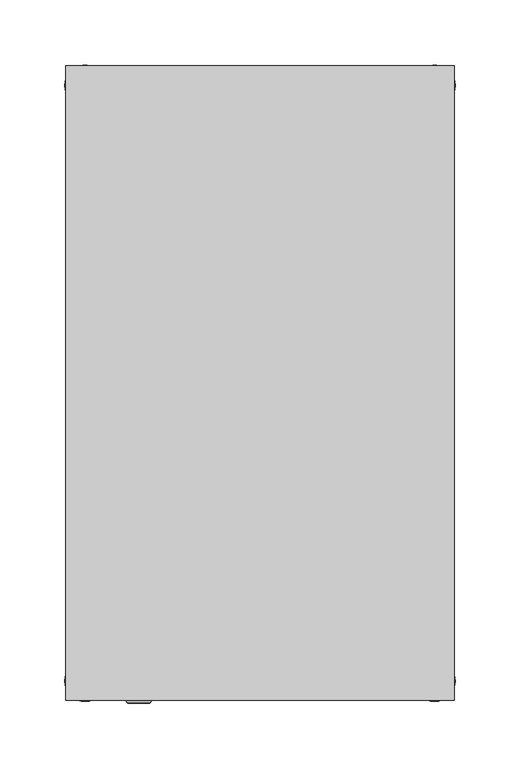
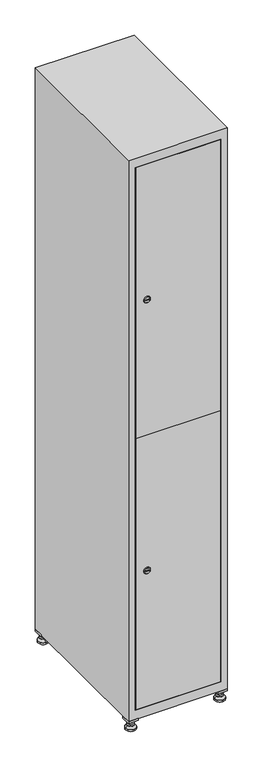
"""IFC4 building model written with IfcOpenShell, lengths in millimetres: furniture geometry."""

import ifcopenshell
import ifcopenshell.guid

model = None  # the IFC model being written
_history = None  # IfcOwnerHistory: only IFC2X3 demands one
_inside = {}  # id of a spatial element -> (the spatial element, [elements in it])
_under = {}  # id of a project, library or spatial element -> (it, [spatial elements below it])
_declared = {}  # id of a project -> (the project, [libraries it declares])
_typed = {}  # id of a type object -> (the type object, [elements of that type])
_made_of = {}  # id of a material, layer set ... -> (it, [elements and type objects made of it])


def new_model(schema):
    """Start an empty IFC model of exactly this schema.

    Asked for "IFC4X3", IfcOpenShell would pick the latest addendum, in which some entities
    have other attributes; the version numbers below select the first issue.
    IFC2X3 requires an IfcOwnerHistory on every rooted entity: one is made here for all.
    """
    global model, _history
    if schema == "IFC4X3":
        model = ifcopenshell.file(schema_version=(4, 3, 0, 0))
    else:
        model = ifcopenshell.file(schema=schema)
    _inside.clear()
    _under.clear()
    _declared.clear()
    _typed.clear()
    _made_of.clear()
    _history = None
    if model.schema == "IFC2X3":
        org = make("IfcOrganization", Name="unknown")
        user = make(
            "IfcPersonAndOrganization",
            ThePerson=make("IfcPerson", FamilyName="unknown"),
            TheOrganization=org,
        )
        app = make(
            "IfcApplication",
            ApplicationDeveloper=org,
            Version="unknown",
            ApplicationFullName="unknown",
            ApplicationIdentifier="unknown",
        )
        _history = make(
            "IfcOwnerHistory",
            OwningUser=user,
            OwningApplication=app,
            ChangeAction="ADDED",
            CreationDate=0,
        )
    return model


def make(cls, **values):
    """One entity of the class cls with the attributes given. An attribute that is None is left unset."""
    return model.create_entity(
        cls, **{name: value for name, value in values.items() if value is not None}
    )


def rooted(cls, **values):
    """An entity with a GlobalId (a new one), such as an element, a storey or a relation."""
    return make(cls, GlobalId=ifcopenshell.guid.new(), OwnerHistory=_history, **values)


def si_unit(unit_type, name, prefix=None):
    """IfcSIUnit, for example si_unit("LENGTHUNIT", "METRE", prefix="MILLI")."""
    return make("IfcSIUnit", UnitType=unit_type, Prefix=prefix, Name=name)


def assignment(units):
    """IfcUnitAssignment: the units of a project."""
    return None if units is None else make("IfcUnitAssignment", Units=units)


def point(xyz):
    """IfcCartesianPoint."""
    return None if xyz is None else make("IfcCartesianPoint", Coordinates=xyz)


def direction(xyz):
    """IfcDirection."""
    return None if xyz is None else make("IfcDirection", DirectionRatios=xyz)


def frame(location, z_axis=None, x_axis=None):
    """IfcAxis2Placement3D, a coordinate frame: its origin and axes. An axis left out is left unset."""
    return make(
        "IfcAxis2Placement3D",
        Location=point(location),
        Axis=direction(z_axis),
        RefDirection=direction(x_axis),
    )


def frame_2d(location, x_axis=None):
    """IfcAxis2Placement2D, a coordinate frame in the plane: its origin and x axis."""
    return make(
        "IfcAxis2Placement2D", Location=point(location), RefDirection=direction(x_axis)
    )


def origin():
    """The frame at (0, 0, 0) with its axes left unset."""
    return frame((0.0, 0.0, 0.0))


def origin_with_axes():
    """The frame at (0, 0, 0) with the z axis (0, 0, 1) and the x axis (1, 0, 0) written out."""
    return frame((0.0, 0.0, 0.0), z_axis=(0.0, 0.0, 1.0), x_axis=(1.0, 0.0, 0.0))


def place(relative_to, where):
    """IfcLocalPlacement: puts the frame where relative to a parent placement (None: the world)."""
    return make(
        "IfcLocalPlacement", PlacementRelTo=relative_to, RelativePlacement=where
    )


def context(
    kind, dimensions, precision=None, world=None, true_north=None, identifier=None
):
    """IfcGeometricRepresentationContext, for example the 3D "Model" context."""
    return make(
        "IfcGeometricRepresentationContext",
        ContextIdentifier=identifier,
        ContextType=kind,
        CoordinateSpaceDimension=dimensions,
        Precision=precision,
        WorldCoordinateSystem=world,
        TrueNorth=true_north,
    )


def project(units=None, contexts=None):
    """IfcProject with its units and contexts."""
    return rooted(
        "IfcProject",
        Name="project",
        RepresentationContexts=contexts,
        UnitsInContext=assignment(units),
    )


def spatial(cls, under=None, at=None, **own):
    """A site, building, storey or space (cls), placed at a placement, below another one or the project."""
    s = rooted(cls, ObjectPlacement=at, **own)
    if under is not None:
        _under.setdefault(under.id(), (under, []))[1].append(s)
    return s


def polyline(points):
    """IfcPolyline through the points."""
    return make("IfcPolyline", Points=[point(p) for p in points])


def circle_curve(where, radius):
    """IfcCircle in the frame where."""
    return make("IfcCircle", Position=where, Radius=radius)


def trimmed(basis, trim1, trim2, sense, master):
    """IfcTrimmedCurve: the piece of a basis curve between two trims."""
    return make(
        "IfcTrimmedCurve",
        BasisCurve=basis,
        Trim1=trim1,
        Trim2=trim2,
        SenseAgreement=sense,
        MasterRepresentation=master,
    )


def segment(curve, same_sense, transition):
    """IfcCompositeCurveSegment."""
    return make(
        "IfcCompositeCurveSegment",
        Transition=transition,
        SameSense=same_sense,
        ParentCurve=curve,
    )


def composite_curve(segments, self_intersect=None):
    """IfcCompositeCurve: segments joined end to end."""
    return make("IfcCompositeCurve", Segments=segments, SelfIntersect=self_intersect)


def outline(outer, holes=None, kind="AREA"):
    """IfcArbitraryClosedProfileDef: a profile drawn as a closed curve; with holes, ...WithVoids."""
    if holes is None:
        return make("IfcArbitraryClosedProfileDef", ProfileType=kind, OuterCurve=outer)
    return make(
        "IfcArbitraryProfileDefWithVoids",
        ProfileType=kind,
        OuterCurve=outer,
        InnerCurves=holes,
    )


def extrude(swept, where, along, depth):
    """IfcExtrudedAreaSolid: the profile swept, set in the frame where, extruded along a direction by depth."""
    return make(
        "IfcExtrudedAreaSolid",
        SweptArea=swept,
        Position=where,
        ExtrudedDirection=direction(along),
        Depth=depth,
    )


def faces_of(points, faces, orient=None, outer=None):
    """IfcFace entities. A face is a list of loops; a loop is a list of indices into points, from 0.

    orient and outer hold one flag for each loop. By default every Orientation is true, the
    first loop of a face is its IfcFaceOuterBound and the others are IfcFaceBound.
    """
    made = []
    for i, loops in enumerate(faces):
        bounds = []
        for j, loop in enumerate(loops):
            is_outer = j == 0 if outer is None else outer[i][j]
            bounds.append(
                make(
                    "IfcFaceOuterBound" if is_outer else "IfcFaceBound",
                    Bound=make("IfcPolyLoop", Polygon=[points[k] for k in loop]),
                    Orientation=True if orient is None else orient[i][j],
                )
            )
        made.append(make("IfcFace", Bounds=bounds))
    return made


def faceted_brep(points, faces, orient=None, outer=None, voids=None):
    """IfcFacetedBrep: a solid bounded by flat faces; with voids (closed shells), ...WithVoids."""
    shared = [point(p) for p in points]
    hull = make("IfcClosedShell", CfsFaces=faces_of(shared, faces, orient, outer))
    if voids is None:
        return make("IfcFacetedBrep", Outer=hull)
    return make(
        "IfcFacetedBrepWithVoids",
        Outer=hull,
        Voids=[
            make(cls, CfsFaces=faces_of(shared, fs, o, b)) for cls, fs, o, b in voids
        ],
    )


def shape(context_of_items, identifier, shape_type, items):
    """IfcShapeRepresentation: the items that make up one representation, for example the "Body"."""
    return make(
        "IfcShapeRepresentation",
        ContextOfItems=context_of_items,
        RepresentationIdentifier=identifier,
        RepresentationType=shape_type,
        Items=items,
    )


def source(mapping_origin, context_of_items, identifier, shape_type, items):
    """IfcRepresentationMap: a shape defined once, which mapped items show again and again."""
    return make(
        "IfcRepresentationMap",
        MappingOrigin=mapping_origin,
        MappedRepresentation=shape(context_of_items, identifier, shape_type, items),
    )


def transform(
    local_origin,
    x_axis=None,
    y_axis=None,
    z_axis=None,
    scale=None,
    scale2=None,
    scale3=None,
    uniform=True,
):
    """IfcCartesianTransformationOperator3D, or its non-uniform kind. x_axis, y_axis, z_axis: its Axis1, 2, 3."""
    if uniform:
        return make(
            "IfcCartesianTransformationOperator3D",
            Axis1=direction(x_axis),
            Axis2=direction(y_axis),
            LocalOrigin=point(local_origin),
            Scale=scale,
            Axis3=direction(z_axis),
        )
    return make(
        "IfcCartesianTransformationOperator3DnonUniform",
        Axis1=direction(x_axis),
        Axis2=direction(y_axis),
        LocalOrigin=point(local_origin),
        Scale=scale,
        Axis3=direction(z_axis),
        Scale2=scale2,
        Scale3=scale3,
    )


def mapped(mapping_source, mapping_target):
    """IfcMappedItem: shows the shape of a source again, moved by a transform."""
    return make(
        "IfcMappedItem", MappingSource=mapping_source, MappingTarget=mapping_target
    )


def made_of(thing, what):
    """Note that an element or type object is made of a material, layer set ...; save() writes the relation."""
    if what is not None:
        _made_of.setdefault(what.id(), (what, []))[1].append(thing)
    return thing


def element(
    cls,
    number,
    at=None,
    inside=None,
    cuts=None,
    type_object=None,
    material=None,
    context=None,
    identifier="Body",
    shape_type=None,
    held_by="IfcProductDefinitionShape",
    body=None,
    shapes=None,
    **own,
):
    """One element of the class cls, such as IfcWall. Its Tag is "e" and its number.

    at: its placement. inside: the storey or other place that contains it. cuts: it is an
    opening in that element (IfcRelVoidsElement). A single representation is given by context,
    identifier, shape_type and body (its items); several are given by shapes. held_by: the class
    of the entity that holds the representations. save() writes the other relations.
    """
    e = rooted(cls, Tag="e%d" % number, ObjectPlacement=at, **own)
    if body is not None:
        shapes = [shape(context, identifier, shape_type, body)]
    if shapes is not None:
        e.Representation = make(held_by, Representations=shapes)
    if inside is not None:
        _inside.setdefault(inside.id(), (inside, []))[1].append(e)
    if cuts is not None:
        rooted(
            "IfcRelVoidsElement", RelatingBuildingElement=cuts, RelatedOpeningElement=e
        )
    if type_object is not None:
        _typed.setdefault(type_object.id(), (type_object, []))[1].append(e)
    return made_of(e, material)


def aggregate(whole, parts):
    """IfcRelAggregates: a whole, such as a stair, and the parts it consists of."""
    return rooted("IfcRelAggregates", RelatingObject=whole, RelatedObjects=parts)


def save(model, path):
    """Write the relations noted so far, then the file.

    IfcRelAggregates (storeys below a building ...), IfcRelContainedInSpatialStructure (elements
    in a storey), IfcRelDefinesByType, IfcRelAssociatesMaterial and IfcRelDeclares: one each for
    every whole, place, type object, material and project.
    """
    for whole, parts in _under.values():
        aggregate(whole, parts)
    for where, things in _inside.values():
        rooted(
            "IfcRelContainedInSpatialStructure",
            RelatedElements=things,
            RelatingStructure=where,
        )
    for kind, things in _typed.values():
        rooted("IfcRelDefinesByType", RelatedObjects=things, RelatingType=kind)
    for what, things in _made_of.values():
        rooted("IfcRelAssociatesMaterial", RelatedObjects=things, RelatingMaterial=what)
    for by, libraries in _declared.values():
        rooted("IfcRelDeclares", RelatingContext=by, RelatedDefinitions=libraries)
    model.write(path)


def plane_surface(at):
    """IfcPlane: the flat surface through the origin of the frame at, square to its z axis."""
    return make("IfcPlane", Position=at)


def revolved_surface(curve, axis_point, axis_direction):
    """IfcSurfaceOfRevolution: the curve turned about the line through axis_point along axis_direction."""
    return make(
        "IfcSurfaceOfRevolution",
        SweptCurve=make("IfcArbitraryOpenProfileDef", ProfileType="CURVE", Curve=curve),
        AxisPosition=make("IfcAxis1Placement", Location=point(axis_point), Axis=direction(axis_direction)),
    )


def advanced_brep(points, edges, surfaces, faces):
    """IfcAdvancedBrep: a solid bounded by faces that lie on surfaces and meet in shared edges.

    An edge is (start, end): straight between two places in points (the first is 0);
    or (start, end, curve); or (start, end, curve, False) where it runs against its curve.
    A face is (place in surfaces, loops), or (place, loops, False) where it looks against
    its surface's normal. A loop lists edges by number (the first is 1), with a minus sign
    where the edge is run from its end to its start. The first loop is the outer one.
    """
    corners = [point(p) for p in points]
    vertices = [make("IfcVertexPoint", VertexGeometry=c) for c in corners]
    made = []
    for start, end, *more in edges:
        made.append(
            make(
                "IfcEdgeCurve",
                EdgeStart=vertices[start],
                EdgeEnd=vertices[end],
                EdgeGeometry=more[0] if more else make("IfcPolyline", Points=[corners[start], corners[end]]),
                SameSense=more[1] if len(more) > 1 else True,
            )
        )
    hull = []
    for where, loops, *sense in faces:
        bounds = []
        for j, loop in enumerate(loops):
            ring = [make("IfcOrientedEdge", EdgeElement=made[abs(k) - 1], Orientation=k > 0) for k in loop]
            bounds.append(
                make(
                    "IfcFaceOuterBound" if j == 0 else "IfcFaceBound",
                    Bound=make("IfcEdgeLoop", EdgeList=ring),
                    Orientation=True,
                )
            )
        hull.append(make("IfcAdvancedFace", Bounds=bounds, FaceSurface=surfaces[where], SameSense=sense[0] if sense else True))
    return make("IfcAdvancedBrep", Outer=make("IfcClosedShell", CfsFaces=hull))


def furniture_1f80c4c9(model_context):
    return source(origin(), model_context, "Body", "SolidModel", [
        extrude(outline(polyline([(100.0, 245.0), (100.0, 215.0), (70.0, 215.0), (70.0, 245.0), (100.0, 245.0)]), holes=[polyline([(98.0, 243.0), (72.0, 243.0), (72.0, 217.0), (98.0, 217.0), (98.0, 243.0)])]), frame((0.0, 0.0, 28.5), z_axis=(0.0, 0.0, 1.0), x_axis=(1.0, 0.0, 0.0)), (0.0, 0.0, 1.0), 6.5),
        extrude(outline(polyline([(70.0, -245.0), (70.0, -215.0), (100.0, -215.0), (100.0, -245.0), (70.0, -245.0)]), holes=[polyline([(72.0, -243.0), (98.0, -243.0), (98.0, -217.0), (72.0, -217.0), (72.0, -243.0)])]), frame((0.0, 0.0, 28.5), z_axis=(0.0, 0.0, 1.0), x_axis=(1.0, 0.0, 0.0)), (0.0, 0.0, 1.0), 6.5),
        extrude(outline(polyline([(-170.0, 245.0), (-170.0, 215.0), (-200.0, 215.0), (-200.0, 245.0), (-170.0, 245.0)]), holes=[polyline([(-172.0, 243.0), (-198.0, 243.0), (-198.0, 217.0), (-172.0, 217.0), (-172.0, 243.0)])]), frame((0.0, 0.0, 28.5), z_axis=(0.0, 0.0, 1.0), x_axis=(1.0, 0.0, 0.0)), (0.0, 0.0, 1.0), 6.5),
        extrude(outline(polyline([(-170.0, -215.0), (-170.0, -245.0), (-200.0, -245.0), (-200.0, -215.0), (-170.0, -215.0)]), holes=[polyline([(-198.0, -243.0), (-172.0, -243.0), (-172.0, -217.0), (-198.0, -217.0), (-198.0, -243.0)])]), frame((0.0, 0.0, 28.5), z_axis=(0.0, 0.0, 1.0), x_axis=(1.0, 0.0, 0.0)), (0.0, 0.0, 1.0), 6.5),
        extrude(outline(composite_curve([segment(trimmed(circle_curve(frame_2d((-185.0, 230.0)), 5.0), [point((-180.0, 230.0))], [point((-190.0, 230.0))], False, "CARTESIAN"), True, "CONTINUOUS"), segment(trimmed(circle_curve(frame_2d((-185.0, 230.0)), 5.0), [point((-190.0, 230.0))], [point((-180.0, 230.0))], False, "CARTESIAN"), True, "CONTINUOUS")], self_intersect=False)), frame((0.0, 0.0, 19.6), z_axis=(0.0, 0.0, 1.0), x_axis=(1.0, 0.0, 0.0)), (0.0, 0.0, 1.0), 15.4),
        extrude(outline(composite_curve([segment(trimmed(circle_curve(frame_2d((-185.0, -230.0)), 5.0), [point((-180.0, -230.0))], [point((-190.0, -230.0))], False, "CARTESIAN"), True, "CONTINUOUS"), segment(trimmed(circle_curve(frame_2d((-185.0, -230.0)), 5.0), [point((-190.0, -230.0))], [point((-180.0, -230.0))], False, "CARTESIAN"), True, "CONTINUOUS")], self_intersect=False)), frame((0.0, 0.0, 19.6), z_axis=(0.0, 0.0, 1.0), x_axis=(1.0, 0.0, 0.0)), (0.0, 0.0, 1.0), 15.4),
        extrude(outline(composite_curve([segment(trimmed(circle_curve(frame_2d((85.0, 230.0)), 5.0), [point((90.0, 230.0))], [point((80.0, 230.0))], False, "CARTESIAN"), True, "CONTINUOUS"), segment(trimmed(circle_curve(frame_2d((85.0, 230.0)), 5.0), [point((80.0, 230.0))], [point((90.0, 230.0))], False, "CARTESIAN"), True, "CONTINUOUS")], self_intersect=False)), frame((0.0, 0.0, 19.6), z_axis=(0.0, 0.0, 1.0), x_axis=(1.0, 0.0, 0.0)), (0.0, 0.0, 1.0), 15.4),
        extrude(outline(polyline([(73.4529946, 230.0), (79.2264973, 240.0), (90.7735027, 240.0), (96.5470054, 230.0), (90.7735027, 220.0), (79.2264973, 220.0), (73.4529946, 230.0)])), frame((0.0, 0.0, 13.6), z_axis=(0.0, 0.0, 1.0), x_axis=(1.0, 0.0, 0.0)), (0.0, 0.0, 1.0), 6.0),
        extrude(outline(composite_curve([segment(trimmed(circle_curve(frame_2d((85.0, -230.0)), 5.0), [point((90.0, -230.0))], [point((80.0, -230.0))], False, "CARTESIAN"), True, "CONTINUOUS"), segment(trimmed(circle_curve(frame_2d((85.0, -230.0)), 5.0), [point((80.0, -230.0))], [point((90.0, -230.0))], False, "CARTESIAN"), True, "CONTINUOUS")], self_intersect=False)), frame((0.0, 0.0, 19.6), z_axis=(0.0, 0.0, 1.0), x_axis=(1.0, 0.0, 0.0)), (0.0, 0.0, 1.0), 15.4),
        extrude(outline(polyline([(73.4529946, -230.0), (79.2264973, -220.0), (90.7735027, -220.0), (96.5470054, -230.0), (90.7735027, -240.0), (79.2264973, -240.0), (73.4529946, -230.0)])), frame((0.0, 0.0, 13.6), z_axis=(0.0, 0.0, 1.0), x_axis=(1.0, 0.0, 0.0)), (0.0, 0.0, 1.0), 6.0),
        extrude(outline(composite_curve([segment(trimmed(circle_curve(frame_2d((85.0, 230.0)), 5.0), [point((90.0, 230.0))], [point((80.0, 230.0))], False, "CARTESIAN"), True, "CONTINUOUS"), segment(trimmed(circle_curve(frame_2d((85.0, 230.0)), 5.0), [point((80.0, 230.0))], [point((90.0, 230.0))], False, "CARTESIAN"), True, "CONTINUOUS")], self_intersect=False)), frame((0.0, 0.0, 12.1), z_axis=(0.0, 0.0, 1.0), x_axis=(1.0, 0.0, 0.0)), (0.0, 0.0, 1.0), 1.5),
        extrude(outline(composite_curve([segment(trimmed(circle_curve(frame_2d((85.0, -230.0)), 5.0), [point((90.0, -230.0))], [point((80.0, -230.0))], False, "CARTESIAN"), True, "CONTINUOUS"), segment(trimmed(circle_curve(frame_2d((85.0, -230.0)), 5.0), [point((80.0, -230.0))], [point((90.0, -230.0))], False, "CARTESIAN"), True, "CONTINUOUS")], self_intersect=False)), frame((0.0, 0.0, 12.1), z_axis=(0.0, 0.0, 1.0), x_axis=(1.0, 0.0, 0.0)), (0.0, 0.0, 1.0), 1.5),
        extrude(outline(polyline([(-196.5470054, 230.0), (-190.7735027, 240.0), (-179.2264973, 240.0), (-173.4529946, 230.0), (-179.2264973, 220.0), (-190.7735027, 220.0), (-196.5470054, 230.0)])), frame((0.0, 0.0, 13.6), z_axis=(0.0, 0.0, 1.0), x_axis=(1.0, 0.0, 0.0)), (0.0, 0.0, 1.0), 6.0),
        extrude(outline(polyline([(-196.5470054, -230.0), (-190.7735027, -220.0), (-179.2264973, -220.0), (-173.4529946, -230.0), (-179.2264973, -240.0), (-190.7735027, -240.0), (-196.5470054, -230.0)])), frame((0.0, 0.0, 13.6), z_axis=(0.0, 0.0, 1.0), x_axis=(1.0, 0.0, 0.0)), (0.0, 0.0, 1.0), 6.0),
        extrude(outline(composite_curve([segment(trimmed(circle_curve(frame_2d((-185.0, 230.0)), 5.0), [point((-185.0, 235.0))], [point((-185.0, 225.0))], False, "CARTESIAN"), True, "CONTINUOUS"), segment(trimmed(circle_curve(frame_2d((-185.0, 230.0)), 5.0), [point((-185.0, 225.0))], [point((-185.0, 235.0))], False, "CARTESIAN"), True, "CONTINUOUS")], self_intersect=False)), frame((0.0, 0.0, 12.1), z_axis=(0.0, 0.0, 1.0), x_axis=(1.0, 0.0, 0.0)), (0.0, 0.0, 1.0), 1.5),
        extrude(outline(composite_curve([segment(trimmed(circle_curve(frame_2d((-185.0, -230.0)), 5.0), [point((-180.0, -230.0))], [point((-190.0, -230.0))], False, "CARTESIAN"), True, "CONTINUOUS"), segment(trimmed(circle_curve(frame_2d((-185.0, -230.0)), 5.0), [point((-190.0, -230.0))], [point((-180.0, -230.0))], False, "CARTESIAN"), True, "CONTINUOUS")], self_intersect=False)), frame((0.0, 0.0, 12.1), z_axis=(0.0, 0.0, 1.0), x_axis=(1.0, 0.0, 0.0)), (0.0, 0.0, 1.0), 1.5),
        extrude(outline(composite_curve([segment(trimmed(circle_curve(frame_2d((85.0, 230.0)), 15.75), [point((100.75, 230.0))], [point((69.25, 230.0))], False, "CARTESIAN"), True, "CONTINUOUS"), segment(trimmed(circle_curve(frame_2d((85.0, 230.0)), 15.75), [point((69.25, 230.0))], [point((100.75, 230.0))], False, "CARTESIAN"), True, "CONTINUOUS")], self_intersect=False)), origin_with_axes(), (0.0, 0.0, 1.0), 5.1),
        extrude(outline(composite_curve([segment(trimmed(circle_curve(frame_2d((85.0, -230.0)), 15.75), [point((85.0, -214.25))], [point((85.0, -245.75))], False, "CARTESIAN"), True, "CONTINUOUS"), segment(trimmed(circle_curve(frame_2d((85.0, -230.0)), 15.75), [point((85.0, -245.75))], [point((85.0, -214.25))], False, "CARTESIAN"), True, "CONTINUOUS")], self_intersect=False)), origin_with_axes(), (0.0, 0.0, 1.0), 5.1),
        extrude(outline(composite_curve([segment(trimmed(circle_curve(frame_2d((-185.0, -230.0)), 15.75), [point((-169.25, -230.0))], [point((-200.75, -230.0))], False, "CARTESIAN"), True, "CONTINUOUS"), segment(trimmed(circle_curve(frame_2d((-185.0, -230.0)), 15.75), [point((-200.75, -230.0))], [point((-169.25, -230.0))], False, "CARTESIAN"), True, "CONTINUOUS")], self_intersect=False)), origin_with_axes(), (0.0, 0.0, 1.0), 5.1),
        extrude(outline(composite_curve([segment(trimmed(circle_curve(frame_2d((-185.0, 230.0)), 15.75), [point((-169.25, 230.0))], [point((-200.75, 230.0))], False, "CARTESIAN"), True, "CONTINUOUS"), segment(trimmed(circle_curve(frame_2d((-185.0, 230.0)), 15.75), [point((-200.75, 230.0))], [point((-169.25, 230.0))], False, "CARTESIAN"), True, "CONTINUOUS")], self_intersect=False)), origin_with_axes(), (0.0, 0.0, 1.0), 5.1),
        advanced_brep(
        [(-185.0, 245.75, 5.1), (-185.0, 214.25, 5.1), (-185.0, 239.5, 12.1), (-185.0, 220.5, 12.1)],
        [
            (0, 1, circle_curve(frame((-185.0, 230.0, 5.1), z_axis=(0.0, 0.0, -1.0), x_axis=(0.0, 1.0, 0.0)), 15.75)),
            (1, 0, circle_curve(frame((-185.0, 230.0, 5.1), z_axis=(0.0, 0.0, -1.0), x_axis=(0.0, -1.0, 0.0)), 15.75)),
            (2, 3, circle_curve(frame((-185.0, 230.0, 12.1), z_axis=(0.0, 0.0, 1.0), x_axis=(0.0, -1.0, 0.0)), 9.5)),
            (3, 2, circle_curve(frame((-185.0, 230.0, 12.1), z_axis=(0.0, 0.0, 1.0), x_axis=(0.0, 1.0, 0.0)), 9.5)),
            (3, 1),
            (0, 2),
        ],
        [
            plane_surface(frame((-185.0, 230.0, 5.1), z_axis=(0.0, 0.0, -1.0), x_axis=(1.0, 0.0, 0.0))),
            plane_surface(frame((-185.0, 230.0, 12.1), z_axis=(0.0, 0.0, 1.0), x_axis=(1.0, 0.0, 0.0))),
            revolved_surface(polyline([(-185.0, 220.5, 12.099999999999998), (-185.0, 214.25, 5.099999999999998)]), (-185.0, 230.0, 22.74), (0.0, 0.0, -1.0)),
            revolved_surface(polyline([(-185.0, 239.5, 12.099999999999998), (-185.0, 245.75, 5.099999999999998)]), (-185.0, 230.0, 22.74), (0.0, 0.0, -1.0)),
        ],
        [
            (0, [[1, 2]]),
            (1, [[3, 4]]),
            (2, [[-4, 5, -1, 6]]),
            (3, [[-3, -6, -2, -5]]),
        ],
    ),
        advanced_brep(
        [(85.0, 245.75, 5.1), (85.0, 214.25, 5.1), (85.0, 239.5, 12.1), (85.0, 220.5, 12.1)],
        [
            (0, 1, circle_curve(frame((85.0, 230.0, 5.1), z_axis=(0.0, 0.0, -1.0), x_axis=(0.0, 1.0, 0.0)), 15.75)),
            (1, 0, circle_curve(frame((85.0, 230.0, 5.1), z_axis=(0.0, 0.0, -1.0), x_axis=(0.0, -1.0, 0.0)), 15.75)),
            (2, 3, circle_curve(frame((85.0, 230.0, 12.1), z_axis=(0.0, 0.0, 1.0), x_axis=(0.0, -1.0, 0.0)), 9.5)),
            (3, 2, circle_curve(frame((85.0, 230.0, 12.1), z_axis=(0.0, 0.0, 1.0), x_axis=(0.0, 1.0, 0.0)), 9.5)),
            (3, 1),
            (0, 2),
        ],
        [
            plane_surface(frame((85.0, 230.0, 5.1), z_axis=(0.0, 0.0, -1.0), x_axis=(1.0, 0.0, 0.0))),
            plane_surface(frame((85.0, 230.0, 12.1), z_axis=(0.0, 0.0, 1.0), x_axis=(1.0, 0.0, 0.0))),
            revolved_surface(polyline([(85.0, 220.5, 12.099999999999998), (85.0, 214.25, 5.099999999999998)]), (85.0, 230.0, 22.74), (0.0, 0.0, -1.0)),
            revolved_surface(polyline([(85.0, 239.5, 12.099999999999998), (85.0, 245.75, 5.099999999999998)]), (85.0, 230.0, 22.74), (0.0, 0.0, -1.0)),
        ],
        [
            (0, [[1, 2]]),
            (1, [[3, 4]]),
            (2, [[-4, 5, -1, 6]]),
            (3, [[-3, -6, -2, -5]]),
        ],
    ),
        advanced_brep(
        [(94.5, -230.0, 12.1), (75.5, -230.0, 12.1), (100.75, -230.0, 5.1), (69.25, -230.0, 5.1)],
        [
            (0, 1, circle_curve(frame((85.0, -230.0, 12.1), z_axis=(0.0, 0.0, 1.0), x_axis=(1.0, 0.0, 0.0)), 9.5)),
            (1, 0, circle_curve(frame((85.0, -230.0, 12.1), z_axis=(0.0, 0.0, 1.0), x_axis=(-1.0, 0.0, 0.0)), 9.5)),
            (2, 3, circle_curve(frame((85.0, -230.0, 5.1), z_axis=(0.0, 0.0, -1.0), x_axis=(-1.0, 0.0, 0.0)), 15.75)),
            (3, 2, circle_curve(frame((85.0, -230.0, 5.1), z_axis=(0.0, 0.0, -1.0), x_axis=(1.0, 0.0, 0.0)), 15.75)),
            (3, 1),
            (0, 2),
        ],
        [
            plane_surface(frame((85.0, -230.0, 12.1), z_axis=(0.0, 0.0, 1.0), x_axis=(0.0, 1.0, 0.0))),
            plane_surface(frame((85.0, -230.0, 5.1), z_axis=(0.0, 0.0, -1.0), x_axis=(0.0, 1.0, 0.0))),
            revolved_surface(polyline([(94.5, -230.0, 12.099999999999998), (100.75, -230.0, 5.099999999999998)]), (85.0, -230.0, 22.74), (0.0, 0.0, -1.0)),
            revolved_surface(polyline([(75.5, -230.0, 12.099999999999998), (69.25, -230.0, 5.099999999999998)]), (85.0, -230.0, 22.74), (0.0, 0.0, -1.0)),
        ],
        [
            (0, [[1, 2]]),
            (1, [[3, 4]]),
            (2, [[-4, 5, -1, 6]]),
            (3, [[-3, -6, -2, -5]]),
        ],
    ),
        advanced_brep(
        [(-175.5, -230.0, 12.1), (-194.5, -230.0, 12.1), (-169.25, -230.0, 5.1), (-200.75, -230.0, 5.1)],
        [
            (0, 1, circle_curve(frame((-185.0, -230.0, 12.1), z_axis=(0.0, 0.0, 1.0), x_axis=(1.0, 0.0, 0.0)), 9.5)),
            (1, 0, circle_curve(frame((-185.0, -230.0, 12.1), z_axis=(0.0, 0.0, 1.0), x_axis=(-1.0, 0.0, 0.0)), 9.5)),
            (2, 3, circle_curve(frame((-185.0, -230.0, 5.1), z_axis=(0.0, 0.0, -1.0), x_axis=(-1.0, 0.0, 0.0)), 15.75)),
            (3, 2, circle_curve(frame((-185.0, -230.0, 5.1), z_axis=(0.0, 0.0, -1.0), x_axis=(1.0, 0.0, 0.0)), 15.75)),
            (3, 1),
            (0, 2),
        ],
        [
            plane_surface(frame((-185.0, -230.0, 12.1), z_axis=(0.0, 0.0, 1.0), x_axis=(0.0, 1.0, 0.0))),
            plane_surface(frame((-185.0, -230.0, 5.1), z_axis=(0.0, 0.0, -1.0), x_axis=(0.0, 1.0, 0.0))),
            revolved_surface(polyline([(-175.5, -230.0, 12.099999999999998), (-169.25, -230.0, 5.099999999999998)]), (-185.0, -230.0, 22.74), (0.0, 0.0, -1.0)),
            revolved_surface(polyline([(-194.5, -230.0, 12.099999999999998), (-200.75, -230.0, 5.099999999999998)]), (-185.0, -230.0, 22.74), (0.0, 0.0, -1.0)),
        ],
        [
            (0, [[1, 2]]),
            (1, [[3, 4]]),
            (2, [[-4, 5, -1, 6]]),
            (3, [[-3, -6, -2, -5]]),
        ],
    ),
        extrude(outline(composite_curve([segment(trimmed(circle_curve(frame_2d((500.6, -170.3989466)), 7.0), [point((507.6, -170.3989466))], [point((493.6, -170.3989466))], False, "CARTESIAN"), True, "CONTINUOUS"), segment(polyline([(493.6, -170.3989466), (493.6, -142.3989466)]), True, "CONTINUOUS"), segment(trimmed(circle_curve(frame_2d((500.6, -142.3989466)), 7.0), [point((493.6, -142.3989466))], [point((507.6, -142.3989466))], False, "CARTESIAN"), True, "CONTINUOUS"), segment(polyline([(507.6, -142.3989466), (507.6, -170.3989466)]), True, "CONTINUOUS")], self_intersect=False)), frame((0.0, -227.0, 0.0), z_axis=(0.0, 1.0, 0.0), x_axis=(0.0, 0.0, 1.0)), (0.0, 0.0, 1.0), 2.0),
        advanced_brep(
        [(-135.1, -247.2, 500.6), (-152.1, -247.2, 500.6), (-148.6, -247.2, 499.35), (-148.6, -247.2, 501.85), (-138.6, -247.2, 501.85), (-138.6, -247.2, 499.35), (-133.1, -245.0, 500.6), (-154.1, -245.0, 500.6), (-148.6, -245.0, 501.85), (-148.6, -245.0, 499.35), (-138.6, -245.0, 499.35), (-138.6, -245.0, 501.85)],
        [
            (0, 1, circle_curve(frame((-143.6, -247.2, 500.6), z_axis=(0.0, -1.0, 0.0), x_axis=(1.0, 0.0, 0.0)), 8.5)),
            (1, 0, circle_curve(frame((-143.6, -247.2, 500.6), z_axis=(0.0, -1.0, 0.0), x_axis=(-1.0, 0.0, 0.0)), 8.5)),
            (2, 3),
            (3, 4),
            (4, 5),
            (5, 2),
            (6, 7, circle_curve(frame((-143.6, -245.0, 500.6), z_axis=(0.0, 1.0, 0.0), x_axis=(-1.0, 0.0, 0.0)), 10.5)),
            (7, 6, circle_curve(frame((-143.6, -245.0, 500.6), z_axis=(0.0, 1.0, 0.0), x_axis=(1.0, 0.0, 0.0)), 10.5)),
            (8, 9),
            (9, 10),
            (10, 11),
            (11, 8),
            (0, 6),
            (7, 1),
            (8, 3),
            (2, 9),
            (11, 4),
            (10, 5),
        ],
        [
            plane_surface(frame((-143.6, -247.2, 500.6), z_axis=(0.0, -1.0, 0.0), x_axis=(0.0, 0.0, 1.0))),
            plane_surface(frame((-143.6, -245.0, 500.6), z_axis=(0.0, 1.0, 0.0), x_axis=(0.0, 0.0, 1.0))),
            revolved_surface(polyline([(-135.1, -247.2, 500.6), (-133.1, -245.0, 500.6)]), (-143.6, -256.55, 500.6), (0.0, 1.0, 0.0)),
            revolved_surface(polyline([(-152.1, -247.2, 500.6), (-154.1, -245.0, 500.6)]), (-143.6, -256.55, 500.6), (0.0, 1.0, 0.0)),
            plane_surface(frame((-148.6, -245.0, 499.35), z_axis=(1.0, 0.0, 0.0), x_axis=(0.0, -1.0, 0.0))),
            plane_surface(frame((-148.6, -245.0, 501.85), z_axis=(0.0, 0.0, -1.0), x_axis=(0.0, -1.0, 0.0))),
            plane_surface(frame((-138.6, -245.0, 501.85), z_axis=(-1.0, 0.0, 0.0), x_axis=(0.0, -1.0, 0.0))),
            plane_surface(frame((-138.6, -245.0, 499.35), z_axis=(0.0, 0.0, 1.0), x_axis=(0.0, -1.0, 0.0))),
        ],
        [
            (0, [[1, 2], [3, 4, 5, 6]]),
            (1, [[7, 8], [9, 10, 11, 12]]),
            (2, [[-1, 13, -8, 14]]),
            (3, [[-2, -14, -7, -13]]),
            (4, [[15, -3, 16, -9]]),
            (5, [[-15, -12, 17, -4]]),
            (6, [[-17, -11, 18, -5]]),
            (7, [[-16, -6, -18, -10]]),
        ],
    ),
        extrude(outline(composite_curve([segment(trimmed(circle_curve(frame_2d((1369.4, -170.3989466)), 7.0), [point((1376.4, -170.3989466))], [point((1362.4, -170.3989466))], False, "CARTESIAN"), True, "CONTINUOUS"), segment(polyline([(1362.4, -170.3989466), (1362.4, -142.3989466)]), True, "CONTINUOUS"), segment(trimmed(circle_curve(frame_2d((1369.4, -142.3989466)), 7.0), [point((1362.4, -142.3989466))], [point((1376.4, -142.3989466))], False, "CARTESIAN"), True, "CONTINUOUS"), segment(polyline([(1376.4, -142.3989466), (1376.4, -170.3989466)]), True, "CONTINUOUS")], self_intersect=False)), frame((0.0, -227.0, 0.0), z_axis=(0.0, 1.0, 0.0), x_axis=(0.0, 0.0, 1.0)), (0.0, 0.0, 1.0), 2.0),
        advanced_brep(
        [(-135.1, -247.2, 1369.4), (-152.1, -247.2, 1369.4), (-148.6, -247.2, 1368.15), (-148.6, -247.2, 1370.65), (-138.6, -247.2, 1370.65), (-138.6, -247.2, 1368.15), (-133.1, -245.0, 1369.4), (-154.1, -245.0, 1369.4), (-148.6, -245.0, 1370.65), (-148.6, -245.0, 1368.15), (-138.6, -245.0, 1368.15), (-138.6, -245.0, 1370.65)],
        [
            (0, 1, circle_curve(frame((-143.6, -247.2, 1369.4), z_axis=(0.0, -1.0, 0.0), x_axis=(1.0, 0.0, 0.0)), 8.5)),
            (1, 0, circle_curve(frame((-143.6, -247.2, 1369.4), z_axis=(0.0, -1.0, 0.0), x_axis=(-1.0, 0.0, 0.0)), 8.5)),
            (2, 3),
            (3, 4),
            (4, 5),
            (5, 2),
            (6, 7, circle_curve(frame((-143.6, -245.0, 1369.4), z_axis=(0.0, 1.0, 0.0), x_axis=(-1.0, 0.0, 0.0)), 10.5)),
            (7, 6, circle_curve(frame((-143.6, -245.0, 1369.4), z_axis=(0.0, 1.0, 0.0), x_axis=(1.0, 0.0, 0.0)), 10.5)),
            (8, 9),
            (9, 10),
            (10, 11),
            (11, 8),
            (0, 6),
            (7, 1),
            (8, 3),
            (2, 9),
            (11, 4),
            (10, 5),
        ],
        [
            plane_surface(frame((-143.6, -247.2, 1369.4), z_axis=(0.0, -1.0, 0.0), x_axis=(0.0, 0.0, 1.0))),
            plane_surface(frame((-143.6, -245.0, 1369.4), z_axis=(0.0, 1.0, 0.0), x_axis=(0.0, 0.0, 1.0))),
            revolved_surface(polyline([(-135.1, -247.2, 1369.4), (-133.1, -245.0, 1369.4)]), (-143.6, -256.55, 1369.4), (0.0, 1.0, 0.0)),
            revolved_surface(polyline([(-152.1, -247.2, 1369.4), (-154.1, -245.0, 1369.4)]), (-143.6, -256.55, 1369.4), (0.0, 1.0, 0.0)),
            plane_surface(frame((-148.6, -245.0, 1368.15), z_axis=(1.0, 0.0, 0.0), x_axis=(0.0, -1.0, 0.0))),
            plane_surface(frame((-148.6, -245.0, 1370.65), z_axis=(0.0, 0.0, -1.0), x_axis=(0.0, -1.0, 0.0))),
            plane_surface(frame((-138.6, -245.0, 1370.65), z_axis=(-1.0, 0.0, 0.0), x_axis=(0.0, -1.0, 0.0))),
            plane_surface(frame((-138.6, -245.0, 1368.15), z_axis=(0.0, 0.0, 1.0), x_axis=(0.0, -1.0, 0.0))),
        ],
        [
            (0, [[1, 2], [3, 4, 5, 6]]),
            (1, [[7, 8], [9, 10, 11, 12]]),
            (2, [[-1, 13, -8, 14]]),
            (3, [[-2, -14, -7, -13]]),
            (4, [[15, -3, 16, -9]]),
            (5, [[-15, -12, 17, -4]]),
            (6, [[-17, -11, 18, -5]]),
            (7, [[-16, -6, -18, -10]]),
        ],
    ),
        extrude(outline(polyline([(-178.6, -245.0), (-178.6, -227.0), (78.6, -227.0), (78.6, -245.0), (-178.6, -245.0)])), frame((0.0, 0.0, 66.2), z_axis=(0.0, 0.0, 1.0), x_axis=(1.0, 0.0, 0.0)), (0.0, 0.0, 1.0), 868.3),
        extrude(outline(polyline([(78.6, -227.0), (78.6, -245.0), (-178.6, -245.0), (-178.6, -227.0), (78.6, -227.0)])), frame((0.0, 0.0, 935.5), z_axis=(0.0, 0.0, 1.0), x_axis=(1.0, 0.0, 0.0)), (0.0, 0.0, 1.0), 868.3),
        extrude(outline(polyline([(79.6, 242.0), (79.6, -227.0), (-179.6, -227.0), (-179.6, 242.0), (79.6, 242.0)])), frame((0.0, 0.0, 924.8), z_axis=(0.0, 0.0, 1.0), x_axis=(1.0, 0.0, 0.0)), (0.0, 0.0, 1.0), 20.4),
        faceted_brep([(100.0, -245.0, 35.0), (100.0, -245.0, 1835.0), (-200.0, -245.0, 1835.0), (-200.0, -245.0, 35.0), (79.6, -245.0, 1804.8), (79.6, -245.0, 65.2), (-179.6, -245.0, 65.2), (-179.6, -245.0, 1804.8), (100.0, 245.0, 35.0), (-200.0, 245.0, 35.0), (100.0, 245.0, 1835.0), (-200.0, 245.0, 1835.0), (79.6, 242.0, 1804.8), (79.6, 242.0, 65.2), (-200.0, 245.0, 1804.8), (-179.6, 242.0, 1804.8), (-179.6, 242.0, 65.2)], [[[0, 1, 2, 3], [4, 5, 6, 7]], [[8, 0, 3, 9]], [[1, 0, 8, 10]], [[1, 10, 11, 2]], [[4, 12, 13, 5]], [[9, 3, 2, 11, 14]], [[10, 8, 9, 14, 11]], [[12, 15, 16, 13]], [[15, 7, 6, 16]], [[4, 7, 15, 12]], [[6, 5, 13, 16]]]),
    ])


if __name__ == "__main__":
    model = new_model("IFC4")
    model_context = context("Model", 3, world=origin())
    ifc_project = project(units=[si_unit("LENGTHUNIT", "METRE", prefix="MILLI")], contexts=[model_context])
    site = spatial("IfcSite", under=ifc_project)
    building = spatial("IfcBuilding", under=site)
    placement = place(None, origin())
    furniture_shape = furniture_1f80c4c9(model_context)
    element("IfcFurniture", 1, at=placement, inside=building, context=model_context, shape_type="MappedRepresentation", body=[
        mapped(furniture_shape, transform((0.0, 0.0, 0.0), x_axis=(1.0, 0.0, 0.0), y_axis=(0.0, 1.0, 0.0), z_axis=(0.0, 0.0, 1.0))),
    ])
    save(model, "model.ifc")
